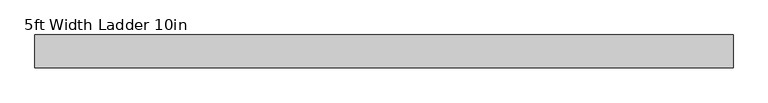
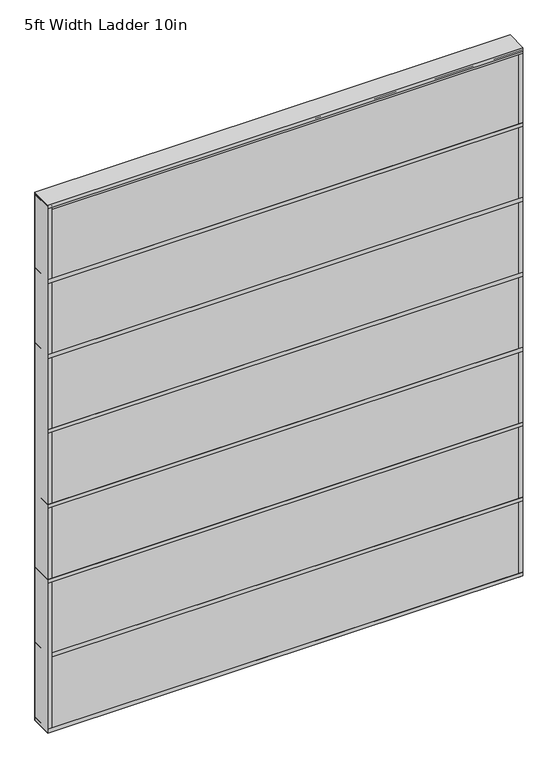
"""IFC4 building model written with IfcOpenShell, lengths in millimetres: plate geometry, 5ft Width Ladder 10in."""

from ifc_helpers import new_model, si_unit, frame, origin, origin_with_axes, place, context, project, spatial, polyline, outline, extrude, source, transform, mapped, element, save


def plate_5ft_width_ladder_10in_bd9ccc64(model_context):
    return source(origin(), model_context, "Body", "SweptSolid", [
        extrude(outline(polyline([(762.0, 34.925), (762.0, -34.925), (-762.0, -34.925), (-762.0, 34.925), (762.0, 34.925)])), origin_with_axes(), (0.0, 0.0, 1.0), 1784.35),
        extrude(outline(polyline([(762.0, 35.71875), (762.0, -35.71875), (-762.0, -35.71875), (-762.0, 35.71875), (762.0, 35.71875)])), frame((0.0, 0.0, 1778.0), z_axis=(0.0, 0.0, 1.0), x_axis=(1.0, 0.0, 0.0)), (0.0, 0.0, 1.0), 12.7),
        extrude(outline(polyline([(762.0, 35.71875), (762.0, -35.71875), (-762.0, -35.71875), (-762.0, 35.71875), (762.0, 35.71875)])), frame((0.0, 0.0, 1524.0), z_axis=(0.0, 0.0, 1.0), x_axis=(1.0, 0.0, 0.0)), (0.0, 0.0, 1.0), 12.7),
        extrude(outline(polyline([(762.0, 35.71875), (762.0, -35.71875), (-762.0, -35.71875), (-762.0, 35.71875), (762.0, 35.71875)])), frame((0.0, 0.0, 1270.0), z_axis=(0.0, 0.0, 1.0), x_axis=(1.0, 0.0, 0.0)), (0.0, 0.0, 1.0), 12.7),
        extrude(outline(polyline([(762.0, 35.71875), (762.0, -35.71875), (-762.0, -35.71875), (-762.0, 35.71875), (762.0, 35.71875)])), frame((0.0, 0.0, 1016.0), z_axis=(0.0, 0.0, 1.0), x_axis=(1.0, 0.0, 0.0)), (0.0, 0.0, 1.0), 12.7),
        extrude(outline(polyline([(762.0, 35.71875), (762.0, -35.71875), (-762.0, -35.71875), (-762.0, 35.71875), (762.0, 35.71875)])), frame((0.0, 0.0, 762.0), z_axis=(0.0, 0.0, 1.0), x_axis=(1.0, 0.0, 0.0)), (0.0, 0.0, 1.0), 12.7),
        extrude(outline(polyline([(762.0, 35.71875), (762.0, -35.71875), (-762.0, -35.71875), (-762.0, 35.71875), (762.0, 35.71875)])), frame((0.0, 0.0, 508.0), z_axis=(0.0, 0.0, 1.0), x_axis=(1.0, 0.0, 0.0)), (0.0, 0.0, 1.0), 12.7),
        extrude(outline(polyline([(762.0, 35.71875), (762.0, -35.71875), (-762.0, -35.71875), (-762.0, 35.71875), (762.0, 35.71875)])), origin_with_axes(), (0.0, 0.0, 1.0), 12.7),
        extrude(outline(polyline([(-749.3, 35.71875), (-749.3, -35.71875), (-762.0, -35.71875), (-762.0, 35.71875), (-749.3, 35.71875)])), origin_with_axes(), (0.0, 0.0, 1.0), 1784.35),
        extrude(outline(polyline([(762.0, 35.71875), (762.0, -35.71875), (-762.0, -35.71875), (-762.0, 35.71875), (762.0, 35.71875)])), frame((0.0, 0.0, 1771.65), z_axis=(0.0, 0.0, 1.0), x_axis=(1.0, 0.0, 0.0)), (0.0, 0.0, 1.0), 12.7),
        extrude(outline(polyline([(762.0, 35.71875), (762.0, -35.71875), (-762.0, -35.71875), (-762.0, 35.71875), (762.0, 35.71875)])), frame((0.0, 0.0, 254.0), z_axis=(0.0, 0.0, 1.0), x_axis=(1.0, 0.0, 0.0)), (0.0, 0.0, 1.0), 12.7),
        extrude(outline(polyline([(762.0, 35.71875), (762.0, -35.71875), (-762.0, -35.71875), (-762.0, 35.71875), (762.0, 35.71875)])), origin_with_axes(), (0.0, 0.0, 1.0), 12.7),
        extrude(outline(polyline([(762.0, 35.71875), (762.0, -35.71875), (749.3, -35.71875), (749.3, 35.71875), (762.0, 35.71875)])), origin_with_axes(), (0.0, 0.0, 1.0), 1784.35),
    ])


if __name__ == "__main__":
    model = new_model("IFC4")
    model_context = context("Model", 3, world=origin())
    ifc_project = project(units=[si_unit("LENGTHUNIT", "METRE", prefix="MILLI")], contexts=[model_context])
    site = spatial("IfcSite", under=ifc_project)
    building = spatial("IfcBuilding", under=site)
    placement = place(None, origin())
    plate_5ft_width_ladder_10in_shape = plate_5ft_width_ladder_10in_bd9ccc64(model_context)
    element("IfcPlate", 1, ObjectType="5ft Width Ladder 10in", at=placement, inside=building, context=model_context, shape_type="MappedRepresentation", body=[
        mapped(plate_5ft_width_ladder_10in_shape, transform((0.0, 0.0, 0.0), x_axis=(1.0, 0.0, 0.0), y_axis=(0.0, 1.0, 0.0), z_axis=(0.0, 0.0, 1.0))),
    ])
    save(model, "model.ifc")
